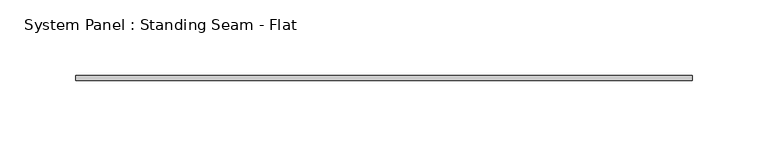
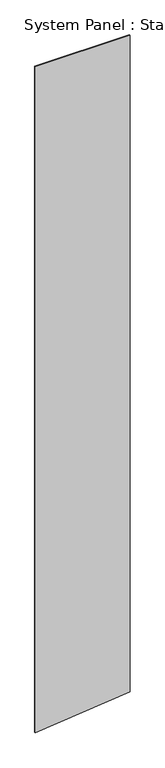
"""IFC4 building model written with IfcOpenShell, lengths in millimetres: plate geometry, System Panel : Standing Seam - Flat."""

from ifc_helpers import new_model, si_unit, frame, origin, place, context, project, spatial, polyline, outline, extrude, source, transform, mapped, element, save


def system_panel_standing_seam_flat_a19861b5(model_context):
    return source(origin(), model_context, "Body", "SweptSolid", [
        extrude(outline(polyline([(0.0, -203.2), (41.2973855, 203.2), (3011.8848438, 203.2), (3011.8848438, -203.2), (0.0, -203.2)])), frame((0.0, -1.5875, 0.0), z_axis=(0.0, 1.0, 0.0), x_axis=(0.0, 0.0, 1.0)), (0.0, 0.0, 1.0), 3.175),
    ])


if __name__ == "__main__":
    model = new_model("IFC4")
    model_context = context("Model", 3, world=origin())
    ifc_project = project(units=[si_unit("LENGTHUNIT", "METRE", prefix="MILLI")], contexts=[model_context])
    site = spatial("IfcSite", under=ifc_project)
    building = spatial("IfcBuilding", under=site)
    placement = place(None, origin())
    system_panel_standing_seam_flat_shape = system_panel_standing_seam_flat_a19861b5(model_context)
    element("IfcPlate", 1, ObjectType="System Panel : Standing Seam - Flat", at=placement, inside=building, context=model_context, shape_type="MappedRepresentation", body=[
        mapped(system_panel_standing_seam_flat_shape, transform((0.0, 0.0, 0.0), x_axis=(1.0, 0.0, 0.0), y_axis=(0.0, 1.0, 0.0), z_axis=(0.0, 0.0, 1.0))),
    ])
    save(model, "model.ifc")
